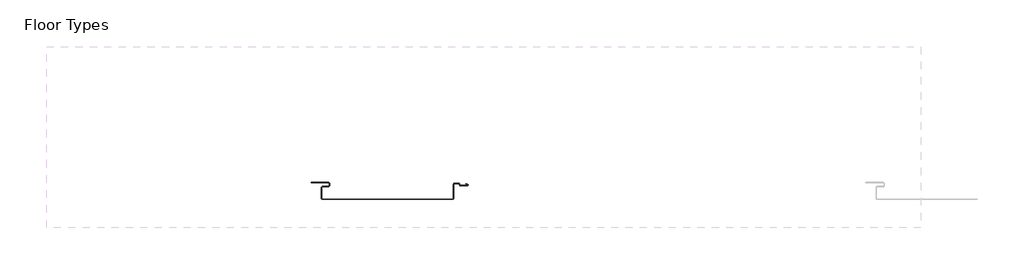
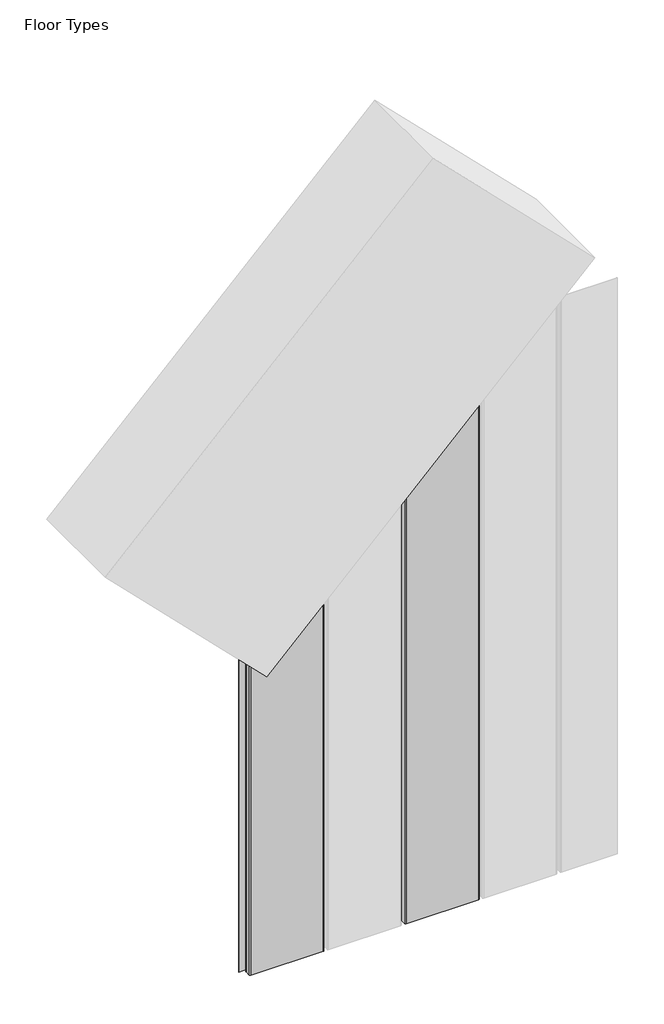
# One storey, part 1 of 3: 2 plates.
"""IFC4 building model written with IfcOpenShell, lengths in millimetres."""

import ifcopenshell
import ifcopenshell.guid

model = None  # the IFC model being written
_history = None  # IfcOwnerHistory: only IFC2X3 demands one
_inside = {}  # id of a spatial element -> (the spatial element, [elements in it])
_under = {}  # id of a project, library or spatial element -> (it, [spatial elements below it])
_declared = {}  # id of a project -> (the project, [libraries it declares])
_typed = {}  # id of a type object -> (the type object, [elements of that type])
_made_of = {}  # id of a material, layer set ... -> (it, [elements and type objects made of it])


def new_model(schema):
    """Start an empty IFC model of exactly this schema.

    Asked for "IFC4X3", IfcOpenShell would pick the latest addendum, in which some entities
    have other attributes; the version numbers below select the first issue.
    IFC2X3 requires an IfcOwnerHistory on every rooted entity: one is made here for all.
    """
    global model, _history
    if schema == "IFC4X3":
        model = ifcopenshell.file(schema_version=(4, 3, 0, 0))
    else:
        model = ifcopenshell.file(schema=schema)
    _inside.clear()
    _under.clear()
    _declared.clear()
    _typed.clear()
    _made_of.clear()
    _history = None
    if model.schema == "IFC2X3":
        org = make("IfcOrganization", Name="unknown")
        user = make(
            "IfcPersonAndOrganization",
            ThePerson=make("IfcPerson", FamilyName="unknown"),
            TheOrganization=org,
        )
        app = make(
            "IfcApplication",
            ApplicationDeveloper=org,
            Version="unknown",
            ApplicationFullName="unknown",
            ApplicationIdentifier="unknown",
        )
        _history = make(
            "IfcOwnerHistory",
            OwningUser=user,
            OwningApplication=app,
            ChangeAction="ADDED",
            CreationDate=0,
        )
    return model


def make(cls, **values):
    """One entity of the class cls with the attributes given. An attribute that is None is left unset."""
    return model.create_entity(
        cls, **{name: value for name, value in values.items() if value is not None}
    )


def rooted(cls, **values):
    """An entity with a GlobalId (a new one), such as an element, a storey or a relation."""
    return make(cls, GlobalId=ifcopenshell.guid.new(), OwnerHistory=_history, **values)


def si_unit(unit_type, name, prefix=None):
    """IfcSIUnit, for example si_unit("LENGTHUNIT", "METRE", prefix="MILLI")."""
    return make("IfcSIUnit", UnitType=unit_type, Prefix=prefix, Name=name)


def assignment(units):
    """IfcUnitAssignment: the units of a project."""
    return None if units is None else make("IfcUnitAssignment", Units=units)


def point(xyz):
    """IfcCartesianPoint."""
    return None if xyz is None else make("IfcCartesianPoint", Coordinates=xyz)


def direction(xyz):
    """IfcDirection."""
    return None if xyz is None else make("IfcDirection", DirectionRatios=xyz)


def frame(location, z_axis=None, x_axis=None):
    """IfcAxis2Placement3D, a coordinate frame: its origin and axes. An axis left out is left unset."""
    return make(
        "IfcAxis2Placement3D",
        Location=point(location),
        Axis=direction(z_axis),
        RefDirection=direction(x_axis),
    )


def origin():
    """The frame at (0, 0, 0) with its axes left unset."""
    return frame((0.0, 0.0, 0.0))


def place(relative_to, where):
    """IfcLocalPlacement: puts the frame where relative to a parent placement (None: the world)."""
    return make(
        "IfcLocalPlacement", PlacementRelTo=relative_to, RelativePlacement=where
    )


def context(
    kind, dimensions, precision=None, world=None, true_north=None, identifier=None
):
    """IfcGeometricRepresentationContext, for example the 3D "Model" context."""
    return make(
        "IfcGeometricRepresentationContext",
        ContextIdentifier=identifier,
        ContextType=kind,
        CoordinateSpaceDimension=dimensions,
        Precision=precision,
        WorldCoordinateSystem=world,
        TrueNorth=true_north,
    )


def project(units=None, contexts=None):
    """IfcProject with its units and contexts."""
    return rooted(
        "IfcProject",
        Name="project",
        RepresentationContexts=contexts,
        UnitsInContext=assignment(units),
    )


def spatial(cls, under=None, at=None, **own):
    """A site, building, storey or space (cls), placed at a placement, below another one or the project."""
    s = rooted(cls, ObjectPlacement=at, **own)
    if under is not None:
        _under.setdefault(under.id(), (under, []))[1].append(s)
    return s


def polyline(points):
    """IfcPolyline through the points."""
    return make("IfcPolyline", Points=[point(p) for p in points])


def circle_curve(where, radius):
    """IfcCircle in the frame where."""
    return make("IfcCircle", Position=where, Radius=radius)


def ellipse_curve(where, semi_axis1, semi_axis2):
    """IfcEllipse in the frame where."""
    return make(
        "IfcEllipse", Position=where, SemiAxis1=semi_axis1, SemiAxis2=semi_axis2
    )


def shape(context_of_items, identifier, shape_type, items):
    """IfcShapeRepresentation: the items that make up one representation, for example the "Body"."""
    return make(
        "IfcShapeRepresentation",
        ContextOfItems=context_of_items,
        RepresentationIdentifier=identifier,
        RepresentationType=shape_type,
        Items=items,
    )


def made_of(thing, what):
    """Note that an element or type object is made of a material, layer set ...; save() writes the relation."""
    if what is not None:
        _made_of.setdefault(what.id(), (what, []))[1].append(thing)
    return thing


def element(
    cls,
    number,
    at=None,
    inside=None,
    cuts=None,
    type_object=None,
    material=None,
    context=None,
    identifier="Body",
    shape_type=None,
    held_by="IfcProductDefinitionShape",
    body=None,
    shapes=None,
    **own,
):
    """One element of the class cls, such as IfcWall. Its Tag is "e" and its number.

    at: its placement. inside: the storey or other place that contains it. cuts: it is an
    opening in that element (IfcRelVoidsElement). A single representation is given by context,
    identifier, shape_type and body (its items); several are given by shapes. held_by: the class
    of the entity that holds the representations. save() writes the other relations.
    """
    e = rooted(cls, Tag="e%d" % number, ObjectPlacement=at, **own)
    if body is not None:
        shapes = [shape(context, identifier, shape_type, body)]
    if shapes is not None:
        e.Representation = make(held_by, Representations=shapes)
    if inside is not None:
        _inside.setdefault(inside.id(), (inside, []))[1].append(e)
    if cuts is not None:
        rooted(
            "IfcRelVoidsElement", RelatingBuildingElement=cuts, RelatedOpeningElement=e
        )
    if type_object is not None:
        _typed.setdefault(type_object.id(), (type_object, []))[1].append(e)
    return made_of(e, material)


def aggregate(whole, parts):
    """IfcRelAggregates: a whole, such as a stair, and the parts it consists of."""
    return rooted("IfcRelAggregates", RelatingObject=whole, RelatedObjects=parts)


def save(model, path):
    """Write the relations noted so far, then the file.

    IfcRelAggregates (storeys below a building ...), IfcRelContainedInSpatialStructure (elements
    in a storey), IfcRelDefinesByType, IfcRelAssociatesMaterial and IfcRelDeclares: one each for
    every whole, place, type object, material and project.
    """
    for whole, parts in _under.values():
        aggregate(whole, parts)
    for where, things in _inside.values():
        rooted(
            "IfcRelContainedInSpatialStructure",
            RelatedElements=things,
            RelatingStructure=where,
        )
    for kind, things in _typed.values():
        rooted("IfcRelDefinesByType", RelatedObjects=things, RelatingType=kind)
    for what, things in _made_of.values():
        rooted("IfcRelAssociatesMaterial", RelatedObjects=things, RelatingMaterial=what)
    for by, libraries in _declared.values():
        rooted("IfcRelDeclares", RelatingContext=by, RelatedDefinitions=libraries)
    model.write(path)


def plane_surface(at):
    """IfcPlane: the flat surface through the origin of the frame at, square to its z axis."""
    return make("IfcPlane", Position=at)


def cylinder_surface(at, radius):
    """IfcCylindricalSurface: all points at the distance radius from the z axis of the frame at."""
    return make("IfcCylindricalSurface", Position=at, Radius=radius)


def revolved_surface(curve, axis_point, axis_direction):
    """IfcSurfaceOfRevolution: the curve turned about the line through axis_point along axis_direction."""
    return make(
        "IfcSurfaceOfRevolution",
        SweptCurve=make("IfcArbitraryOpenProfileDef", ProfileType="CURVE", Curve=curve),
        AxisPosition=make("IfcAxis1Placement", Location=point(axis_point), Axis=direction(axis_direction)),
    )


def advanced_brep(points, edges, surfaces, faces):
    """IfcAdvancedBrep: a solid bounded by faces that lie on surfaces and meet in shared edges.

    An edge is (start, end): straight between two places in points (the first is 0);
    or (start, end, curve); or (start, end, curve, False) where it runs against its curve.
    A face is (place in surfaces, loops), or (place, loops, False) where it looks against
    its surface's normal. A loop lists edges by number (the first is 1), with a minus sign
    where the edge is run from its end to its start. The first loop is the outer one.
    """
    corners = [point(p) for p in points]
    vertices = [make("IfcVertexPoint", VertexGeometry=c) for c in corners]
    made = []
    for start, end, *more in edges:
        made.append(
            make(
                "IfcEdgeCurve",
                EdgeStart=vertices[start],
                EdgeEnd=vertices[end],
                EdgeGeometry=more[0] if more else make("IfcPolyline", Points=[corners[start], corners[end]]),
                SameSense=more[1] if len(more) > 1 else True,
            )
        )
    hull = []
    for where, loops, *sense in faces:
        bounds = []
        for j, loop in enumerate(loops):
            ring = [make("IfcOrientedEdge", EdgeElement=made[abs(k) - 1], Orientation=k > 0) for k in loop]
            bounds.append(
                make(
                    "IfcFaceOuterBound" if j == 0 else "IfcFaceBound",
                    Bound=make("IfcEdgeLoop", EdgeList=ring),
                    Orientation=True,
                )
            )
        hull.append(make("IfcAdvancedFace", Bounds=bounds, FaceSurface=surfaces[where], SameSense=sense[0] if sense else True))
    return make("IfcAdvancedBrep", Outer=make("IfcClosedShell", CfsFaces=hull))


model = new_model("IFC4")

# Units and contexts
model_context = context("Model", 3, world=origin())
ifc_project = project(units=[si_unit("LENGTHUNIT", "METRE", prefix="MILLI")], contexts=[model_context])

# Site, building, storey
site = spatial("IfcSite", under=ifc_project)
building = spatial("IfcBuilding", under=site)
storey = spatial("IfcBuildingStorey", under=building, Name="Floor Types", Elevation=0.0)

# Plates
placement = place(None, origin())
element("IfcPlate", 1, ObjectType="Vt_Wall Panel_12 Inch", at=placement, inside=storey, context=model_context, shape_type="AdvancedBrep", body=[
    advanced_brep(
    [(-3307.5591486, 4779.7472472, 0.0), (-3307.5591486, 4781.8457172, 0.0), (-3307.5591486, 4781.8457172, 1283.6989095), (-3307.5591486, 4779.7472472, 1283.6989095), (-3037.1622496, 4748.6207172, 0.0), (-3322.9482736, 4748.6207172, 0.0), (-3322.9482736, 4748.6207172, 1299.0880345), (-3296.2321119, 4748.6207172, 1272.3718729), (-3037.1622496, 4748.6207172, 1531.4417352), (-3323.0663836, 4776.5722472, 0.0), (-3311.5341486, 4776.5722472, 0.0), (-3308.3591486, 4779.7472472, 0.0), (-3308.3591486, 4781.8457172, 0.0), (-3311.5341486, 4785.0207172, 0.0), (-3348.7222886, 4785.0207172, 0.0), (-3348.7222886, 4785.8207172, 0.0), (-3311.5341486, 4785.8207172, 0.0), (-3311.5341486, 4775.7722472, 0.0), (-3323.0663836, 4775.7722472, 0.0), (-3325.4413836, 4773.3972472, 0.0), (-3325.4413836, 4751.1138272, 0.0), (-3034.6691396, 4751.1138272, 0.0), (-3034.6691396, 4781.1402758, 0.0), (-3032.2801662, 4783.5292492, 0.0), (-3023.0292185, 4783.5292492, 0.0), (-3020.7042202, 4781.6894356, 0.0), (-3020.6228844, 4780.3380937, 0.0), (-3018.9534617, 4778.8888345, 0.0), (-3003.9948917, 4778.8888345, 0.0), (-3003.589097, 4780.5632149, 0.0), (-3008.057724, 4782.329519, 0.0), (-3007.7636491, 4783.0735082, 0.0), (-3003.2608558, 4781.2936993, 0.0), (-3003.9915134, 4778.0888345, 0.0), (-3018.9558952, 4778.0888345, 0.0), (-3021.4141757, 4780.220373, 0.0), (-3021.4501713, 4781.3176067, 0.0), (-3023.0292185, 4782.7292492, 0.0), (-3032.2801662, 4782.7292492, 0.0), (-3033.8691396, 4781.1402758, 0.0), (-3033.8691396, 4751.1138272, 0.0), (-3037.1622496, 4747.8207172, 0.0), (-3322.9482736, 4747.8207172, 0.0), (-3326.2413836, 4751.1138272, 0.0), (-3326.2413836, 4773.3972472, 0.0), (-3033.8691396, 4751.1138272, 1534.7348452), (-3037.1622496, 4747.8207172, 1531.4417352), (-3033.8691396, 4781.1402758, 1534.7348452), (-3032.2801662, 4782.7292492, 1536.3238186), (-3023.0292185, 4782.7292492, 1545.5747663), (-3021.4501713, 4781.3176067, 1547.1538135), (-3021.4141757, 4780.220373, 1547.1898091), (-3018.9558952, 4778.0888345, 1549.6480896), (-3003.9915134, 4778.0888345, 1564.6124713), (-3003.2608558, 4781.2936993, 1565.343129), (-3007.7636491, 4783.0735082, 1560.8403357), (-3008.057724, 4782.329519, 1560.5462608), (-3003.589097, 4780.5632149, 1565.0148878), (-3003.9948917, 4778.8888345, 1564.6090931), (-3018.9534617, 4778.8888345, 1549.6505231), (-3020.6228844, 4780.3380937, 1547.9811003), (-3020.7042202, 4781.6894356, 1547.8997646), (-3023.0292185, 4783.5292492, 1545.5747663), (-3032.2801662, 4783.5292492, 1536.3238186), (-3034.6691396, 4781.1402758, 1533.9348452), (-3034.6691396, 4751.1138272, 1533.9348452), (-3325.4413836, 4751.1138272, 1301.5811445), (-3325.4413836, 4773.3972472, 1301.5811445), (-3323.0663836, 4775.7722472, 1299.2061445), (-3311.5341486, 4775.7722472, 1287.6739095), (-3311.5341486, 4785.8207172, 1287.6739095), (-3348.7222886, 4785.8207172, 1324.8620495), (-3348.7222886, 4785.0207172, 1324.8620495), (-3311.5341486, 4785.0207172, 1287.6739095), (-3308.3591486, 4781.8457172, 1284.4989095), (-3308.3591486, 4779.7472472, 1284.4989095), (-3311.5341486, 4776.5722472, 1287.6739095), (-3323.0663836, 4776.5722472, 1299.2061445), (-3326.2413836, 4773.3972472, 1302.3811445), (-3326.2413836, 4751.1138272, 1302.3811445), (-3322.9482736, 4747.8207172, 1299.0880345), (-3296.2321119, 4747.8207172, 1272.3718729)],
    [
        (0, 1),
        (1, 2),
        (2, 3),
        (3, 0),
        (4, 5),
        (5, 6),
        (6, 7),
        (7, 8),
        (8, 4),
        (9, 10),
        (10, 11, circle_curve(frame((-3311.5341486, 4779.7472472, 0.0), z_axis=(0.0, 0.0, 1.0), x_axis=(0.0, 1.0, 0.0)), 3.175)),
        (11, 12),
        (12, 13, circle_curve(frame((-3311.5341486, 4781.8457172, 0.0), z_axis=(0.0, 0.0, 1.0), x_axis=(0.0, 1.0, 0.0)), 3.175)),
        (13, 14),
        (14, 15),
        (15, 16),
        (16, 1, circle_curve(frame((-3311.5341486, 4781.8457172, 0.0), z_axis=(0.0, 0.0, -1.0), x_axis=(0.0, 1.0, 0.0)), 3.975)),
        (0, 17, circle_curve(frame((-3311.5341486, 4779.7472472, 0.0), z_axis=(0.0, 0.0, -1.0), x_axis=(0.0, 1.0, 0.0)), 3.975)),
        (17, 18),
        (18, 19, circle_curve(frame((-3323.0663836, 4773.3972472, 0.0), z_axis=(0.0, 0.0, 1.0), x_axis=(0.0, 1.0, 0.0)), 2.375)),
        (19, 20),
        (20, 5, circle_curve(frame((-3322.9482736, 4751.1138272, 0.0), z_axis=(0.0, 0.0, 1.0), x_axis=(0.0, 1.0, 0.0)), 2.49311)),
        (4, 21, circle_curve(frame((-3037.1622496, 4751.1138272, 0.0), z_axis=(0.0, 0.0, 1.0), x_axis=(0.0, 1.0, 0.0)), 2.49311)),
        (21, 22),
        (22, 23, circle_curve(frame((-3032.2801662, 4781.1402758, 0.0), z_axis=(0.0, 0.0, -1.0), x_axis=(0.0, 1.0, 0.0)), 2.3889734)),
        (23, 24),
        (24, 25, circle_curve(frame((-3023.0292185, 4781.1402758, 0.0), z_axis=(0.0, 0.0, -1.0), x_axis=(0.0, 1.0, 0.0)), 2.3889734)),
        (25, 26),
        (26, 27, circle_curve(frame((-3018.9420236, 4780.588156, 0.0), z_axis=(0.0, 0.0, 1.0), x_axis=(0.0, 1.0, 0.0)), 1.69936)),
        (27, 28),
        (28, 29, circle_curve(frame((-3004.0038163, 4779.7773608, 0.0), z_axis=(0.0, 0.0, 1.0), x_axis=(0.0, 1.0, 0.0)), 0.8885712)),
        (29, 30),
        (30, 31),
        (31, 32),
        (32, 33, circle_curve(frame((-3004.0038163, 4779.7773608, 0.0), z_axis=(0.0, 0.0, -1.0), x_axis=(0.0, 1.0, 0.0)), 1.6885712)),
        (33, 34),
        (34, 35, circle_curve(frame((-3018.9420236, 4780.588156, 0.0), z_axis=(0.0, 0.0, -1.0), x_axis=(0.0, 1.0, 0.0)), 2.49936)),
        (35, 36),
        (36, 37, circle_curve(frame((-3023.0292185, 4781.1402758, 0.0), z_axis=(0.0, 0.0, 1.0), x_axis=(0.0, 1.0, 0.0)), 1.5889734)),
        (37, 38),
        (38, 39, circle_curve(frame((-3032.2801662, 4781.1402758, 0.0), z_axis=(0.0, 0.0, 1.0), x_axis=(0.0, 1.0, 0.0)), 1.5889734)),
        (39, 40),
        (40, 41, circle_curve(frame((-3037.1622496, 4751.1138272, 0.0), z_axis=(0.0, 0.0, -1.0), x_axis=(0.0, 1.0, 0.0)), 3.29311)),
        (41, 42),
        (42, 43, circle_curve(frame((-3322.9482736, 4751.1138272, 0.0), z_axis=(0.0, 0.0, -1.0), x_axis=(0.0, 1.0, 0.0)), 3.29311)),
        (43, 44),
        (44, 9, circle_curve(frame((-3323.0663836, 4773.3972472, 0.0), z_axis=(0.0, 0.0, -1.0), x_axis=(0.0, 1.0, 0.0)), 3.175)),
        (40, 45),
        (45, 46, ellipse_curve(frame((-3037.1622496, 4751.1138272, 1531.4417352), z_axis=(0.7071067811865482, 0.0, -0.7071067811865469), x_axis=(-0.7071067811865469, 0.0, -0.707106781186548)), 4.6571608, 3.29311)),
        (46, 41),
        (39, 47),
        (47, 45),
        (38, 48),
        (48, 47, ellipse_curve(frame((-3032.2801662, 4781.1402758, 1536.3238186), z_axis=(-0.7071067811865482, 0.0, 0.7071067811865469), x_axis=(0.7071067811865469, 0.0, 0.707106781186548)), 2.2471477, 1.5889734)),
        (37, 49),
        (49, 48),
        (36, 50),
        (50, 49, ellipse_curve(frame((-3023.0292185, 4781.1402758, 1545.5747663), z_axis=(-0.7071067811865482, 0.0, 0.7071067811865469), x_axis=(0.7071067811865469, 0.0, 0.707106781186548)), 2.2471477, 1.5889734)),
        (35, 51),
        (51, 50),
        (34, 52),
        (52, 51, ellipse_curve(frame((-3018.9420236, 4780.588156, 1549.6619612), z_axis=(0.7071067811865482, 0.0, -0.7071067811865469), x_axis=(-0.7071067811865469, 0.0, -0.707106781186548)), 3.5346288, 2.49936)),
        (33, 53),
        (53, 52),
        (32, 54),
        (54, 53, ellipse_curve(frame((-3004.0038163, 4779.7773608, 1564.6001685), z_axis=(0.7071067811865482, 0.0, -0.7071067811865469), x_axis=(-0.7071067811865469, 0.0, -0.707106781186548)), 2.3880003, 1.6885712)),
        (31, 55),
        (55, 54),
        (30, 56),
        (56, 55),
        (29, 57),
        (57, 56),
        (28, 58),
        (58, 57, ellipse_curve(frame((-3004.0038163, 4779.7773608, 1564.6001685), z_axis=(-0.7071067811865482, 0.0, 0.7071067811865469), x_axis=(0.7071067811865469, 0.0, 0.707106781186548)), 1.2566294, 0.8885712)),
        (27, 59),
        (59, 58),
        (26, 60),
        (60, 59, ellipse_curve(frame((-3018.9420236, 4780.588156, 1549.6619612), z_axis=(-0.7071067811865482, 0.0, 0.7071067811865469), x_axis=(0.7071067811865469, 0.0, 0.707106781186548)), 2.403258, 1.69936)),
        (25, 61),
        (61, 60),
        (24, 62),
        (62, 61, ellipse_curve(frame((-3023.0292185, 4781.1402758, 1545.5747663), z_axis=(0.7071067811865482, 0.0, -0.7071067811865469), x_axis=(-0.7071067811865469, 0.0, -0.707106781186548)), 3.3785186, 2.3889734)),
        (23, 63),
        (63, 62),
        (22, 64),
        (64, 63, ellipse_curve(frame((-3032.2801662, 4781.1402758, 1536.3238186), z_axis=(0.7071067811865482, 0.0, -0.7071067811865469), x_axis=(-0.7071067811865469, 0.0, -0.707106781186548)), 3.3785186, 2.3889734)),
        (21, 65),
        (65, 64),
        (8, 65, ellipse_curve(frame((-3037.1622496, 4751.1138272, 1531.4417352), z_axis=(-0.7071067811865482, 0.0, 0.7071067811865469), x_axis=(0.7071067811865469, 0.0, 0.707106781186548)), 3.52579, 2.49311)),
        (20, 66),
        (66, 6, ellipse_curve(frame((-3322.9482736, 4751.1138272, 1299.0880345), z_axis=(0.7071067811865469, 0.0, 0.7071067811865482), x_axis=(-0.7071067811865482, 0.0, 0.7071067811865467)), 3.52579, 2.49311)),
        (19, 67),
        (67, 66),
        (18, 68),
        (68, 67, ellipse_curve(frame((-3323.0663836, 4773.3972472, 1299.2061445), z_axis=(0.7071067811865469, 0.0, 0.7071067811865482), x_axis=(-0.7071067811865482, 0.0, 0.7071067811865467)), 3.3587572, 2.375)),
        (17, 69),
        (69, 68),
        (3, 69, ellipse_curve(frame((-3311.5341486, 4779.7472472, 1287.6739095), z_axis=(-0.7071067811865469, 0.0, -0.7071067811865482), x_axis=(0.7071067811865482, 0.0, -0.7071067811865467)), 5.6214989, 3.975)),
        (16, 70),
        (70, 2, ellipse_curve(frame((-3311.5341486, 4781.8457172, 1287.6739095), z_axis=(-0.7071067811865469, 0.0, -0.7071067811865482), x_axis=(0.7071067811865482, 0.0, -0.7071067811865467)), 5.6214989, 3.975)),
        (15, 71),
        (71, 70),
        (14, 72),
        (72, 71),
        (13, 73),
        (73, 72),
        (12, 74),
        (74, 73, ellipse_curve(frame((-3311.5341486, 4781.8457172, 1287.6739095), z_axis=(0.7071067811865469, 0.0, 0.7071067811865482), x_axis=(-0.7071067811865482, 0.0, 0.7071067811865467)), 4.4901281, 3.175)),
        (11, 75),
        (75, 74),
        (10, 76),
        (76, 75, ellipse_curve(frame((-3311.5341486, 4779.7472472, 1287.6739095), z_axis=(0.7071067811865469, 0.0, 0.7071067811865482), x_axis=(-0.7071067811865482, 0.0, 0.7071067811865467)), 4.4901281, 3.175)),
        (9, 77),
        (77, 76),
        (44, 78),
        (78, 77, ellipse_curve(frame((-3323.0663836, 4773.3972472, 1299.2061445), z_axis=(-0.7071067811865469, 0.0, -0.7071067811865482), x_axis=(0.7071067811865482, 0.0, -0.7071067811865467)), 4.4901281, 3.175)),
        (43, 79),
        (79, 78),
        (42, 80),
        (80, 79, ellipse_curve(frame((-3322.9482736, 4751.1138272, 1299.0880345), z_axis=(-0.7071067811865469, 0.0, -0.7071067811865482), x_axis=(0.7071067811865482, 0.0, -0.7071067811865467)), 4.6571608, 3.29311)),
        (46, 81),
        (81, 80),
        (7, 81),
    ],
    [
        plane_surface(frame((-3307.5591486, 4779.7472472, 0.0), z_axis=(1.0, 0.0, 0.0), x_axis=(0.0, 0.0, 1.0))),
        plane_surface(frame((-3037.1622496, 4748.6207172, 0.0), z_axis=(0.0, 1.0, 0.0), x_axis=(0.0, 0.0, 1.0))),
        plane_surface(frame((-3173.7413836, 4747.8207172, 0.0), z_axis=(0.0, 0.0, -1.0), x_axis=(1.0, 0.0, 0.0))),
        cylinder_surface(frame((-3037.1622496, 4751.1138272, 0.0), z_axis=(0.0, 0.0, -1.0), x_axis=(0.0, 1.0, 0.0)), 3.29311),
        plane_surface(frame((-3033.8691396, 4751.1138272, 0.0), z_axis=(1.0, 0.0, 0.0), x_axis=(0.0, 0.0, 1.0))),
        revolved_surface(polyline([(-3032.2801662, 4782.729249200001, 1537.9127919769978), (-3032.2801662, 4782.729249200001, 0.0)]), (-3032.2801662, 4781.1402758, 0.0), (0.0, 0.0, 1.0)),
        plane_surface(frame((-3032.2801662, 4782.7292492, 0.0), z_axis=(0.0, -1.0, 0.0), x_axis=(0.0, 0.0, 1.0))),
        revolved_surface(polyline([(-3023.0292185, 4782.729249200001, 1547.1637396769977), (-3023.0292185, 4782.729249200001, 0.0)]), (-3023.0292185, 4781.1402758, 0.0), (0.0, 0.0, 1.0)),
        plane_surface(frame((-3021.4501713, 4781.3176067, 0.0), z_axis=(-0.9994623251085641, -0.032788118100663385, 0.0), x_axis=(0.0, 0.0, 1.0))),
        cylinder_surface(frame((-3018.9420236, 4780.588156, 0.0), z_axis=(0.0, 0.0, -1.0), x_axis=(0.0, 1.0, 0.0)), 2.49936),
        plane_surface(frame((-3018.9558952, 4778.0888345, 0.0), z_axis=(0.0, -1.0, 0.0), x_axis=(0.0, 0.0, 1.0))),
        cylinder_surface(frame((-3004.0038163, 4779.7773608, 0.0), z_axis=(0.0, 0.0, -1.0), x_axis=(0.0, 1.0, 0.0)), 1.6885712),
        plane_surface(frame((-3003.2608558, 4781.2936993, 0.0), z_axis=(0.3675936569385999, 0.9299865070948649, 0.0), x_axis=(0.0, 0.0, 1.0))),
        plane_surface(frame((-3007.7636491, 4783.0735082, 0.0), z_axis=(-0.9299865070948644, 0.3675936569386009, 0.0), x_axis=(0.0, 0.0, 1.0))),
        plane_surface(frame((-3008.057724, 4782.329519, 0.0), z_axis=(-0.3675936569385953, -0.9299865070948666, 0.0), x_axis=(0.0, 0.0, 1.0))),
        revolved_surface(polyline([(-3004.0038163, 4780.665932, 1565.4887396701786), (-3004.0038163, 4780.665932, 0.0)]), (-3004.0038163, 4779.7773608, 0.0), (0.0, 0.0, 1.0)),
        plane_surface(frame((-3003.9948917, 4778.8888345, 0.0), z_axis=(0.0, 1.0, 0.0), x_axis=(0.0, 0.0, 1.0))),
        revolved_surface(polyline([(-3018.9420236, 4782.287515999999, 1551.3613212287407), (-3018.9420236, 4782.287515999999, 0.0)]), (-3018.9420236, 4780.588156, 0.0), (0.0, 0.0, 1.0)),
        plane_surface(frame((-3020.6228844, 4780.3380937, 0.0), z_axis=(0.9981935578187523, 0.060080122579280935, 0.0), x_axis=(0.0, 0.0, 1.0))),
        cylinder_surface(frame((-3023.0292185, 4781.1402758, 0.0), z_axis=(0.0, 0.0, -1.0), x_axis=(0.0, 1.0, 0.0)), 2.3889734),
        plane_surface(frame((-3023.0292185, 4783.5292492, 0.0), z_axis=(0.0, 1.0, 0.0), x_axis=(0.0, 0.0, 1.0))),
        cylinder_surface(frame((-3032.2801662, 4781.1402758, 0.0), z_axis=(0.0, 0.0, -1.0), x_axis=(0.0, 1.0, 0.0)), 2.3889734),
        plane_surface(frame((-3034.6691396, 4781.1402758, 0.0), z_axis=(-1.0, 0.0, 0.0), x_axis=(0.0, 0.0, 1.0))),
        revolved_surface(polyline([(-3037.1622496, 4753.6069372, 1533.9348452180398), (-3037.1622496, 4753.6069372, 0.0)]), (-3037.1622496, 4751.1138272, 0.0), (0.0, 0.0, 1.0)),
        revolved_surface(polyline([(-3322.9482736, 4753.6069372, 1301.5811445180398), (-3322.9482736, 4753.6069372, 0.0)]), (-3322.9482736, 4751.1138272, 0.0), (0.0, 0.0, 1.0)),
        plane_surface(frame((-3325.4413836, 4751.1138272, 0.0), z_axis=(1.0, 0.0, 0.0), x_axis=(0.0, 0.0, 1.0))),
        revolved_surface(polyline([(-3323.0663836, 4775.7722472, 1301.5811445), (-3323.0663836, 4775.7722472, 0.0)]), (-3323.0663836, 4773.3972472, 0.0), (0.0, 0.0, 1.0)),
        plane_surface(frame((-3323.0663836, 4775.7722472, 0.0), z_axis=(0.0, -1.0, 0.0), x_axis=(0.0, 0.0, 1.0))),
        cylinder_surface(frame((-3311.5341486, 4779.7472472, 0.0), z_axis=(0.0, 0.0, -1.0), x_axis=(0.0, 1.0, 0.0)), 3.975),
        cylinder_surface(frame((-3311.5341486, 4781.8457172, 0.0), z_axis=(0.0, 0.0, -1.0), x_axis=(0.0, 1.0, 0.0)), 3.975),
        plane_surface(frame((-3311.5341486, 4785.8207172, 0.0), z_axis=(0.0, 1.0, 0.0), x_axis=(0.0, 0.0, 1.0))),
        plane_surface(frame((-3348.7222886, 4785.8207172, 0.0), z_axis=(-1.0, 0.0, 0.0), x_axis=(0.0, 0.0, 1.0))),
        plane_surface(frame((-3348.7222886, 4785.0207172, 0.0), z_axis=(0.0, -1.0, 0.0), x_axis=(0.0, 0.0, 1.0))),
        revolved_surface(polyline([(-3311.5341486, 4785.0207172, 1290.8489095279062), (-3311.5341486, 4785.0207172, 0.0)]), (-3311.5341486, 4781.8457172, 0.0), (0.0, 0.0, 1.0)),
        plane_surface(frame((-3308.3591486, 4781.8457172, 0.0), z_axis=(-1.0, 0.0, 0.0), x_axis=(0.0, 0.0, 1.0))),
        revolved_surface(polyline([(-3311.5341486, 4782.9222472, 1290.8489095279062), (-3311.5341486, 4782.9222472, 0.0)]), (-3311.5341486, 4779.7472472, 0.0), (0.0, 0.0, 1.0)),
        plane_surface(frame((-3311.5341486, 4776.5722472, 0.0), z_axis=(0.0, 1.0, 0.0), x_axis=(0.0, 0.0, 1.0))),
        cylinder_surface(frame((-3323.0663836, 4773.3972472, 0.0), z_axis=(0.0, 0.0, -1.0), x_axis=(0.0, 1.0, 0.0)), 3.175),
        plane_surface(frame((-3326.2413836, 4773.3972472, 0.0), z_axis=(-1.0, 0.0, 0.0), x_axis=(0.0, 0.0, 1.0))),
        cylinder_surface(frame((-3322.9482736, 4751.1138272, 0.0), z_axis=(0.0, 0.0, -1.0), x_axis=(0.0, 1.0, 0.0)), 3.29311),
        plane_surface(frame((-3322.9482736, 4747.8207172, 0.0), z_axis=(0.0, -1.0, 0.0), x_axis=(0.0, 0.0, 1.0))),
        plane_surface(frame((-3296.2321119, 4684.9717556, 1272.3718729), z_axis=(-0.7071067811865482, 0.0, 0.7071067811865469), x_axis=(0.0, 1.0, 0.0))),
        plane_surface(frame((-3932.628215, 4684.9717556, 1908.7679759), z_axis=(0.7071067811865469, 0.0, 0.7071067811865482), x_axis=(0.0, 1.0, 0.0))),
    ],
    [
        (0, [[1, 2, 3, 4]]),
        (1, [[5, 6, 7, 8, 9]]),
        (2, [[10, 11, 12, 13, 14, 15, 16, 17, -1, 18, 19, 20, 21, 22, -5, 23, 24, 25, 26, 27, 28, 29, 30, 31, 32, 33, 34, 35, 36, 37, 38, 39, 40, 41, 42, 43, 44, 45, 46, 47]]),
        (3, [[-43, 48, 49, 50]]),
        (4, [[-42, 51, 52, -48]]),
        (5, [[-41, 53, 54, -51]]),
        (6, [[-40, 55, 56, -53]]),
        (7, [[-39, 57, 58, -55]]),
        (8, [[-38, 59, 60, -57]]),
        (9, [[-37, 61, 62, -59]]),
        (10, [[-36, 63, 64, -61]]),
        (11, [[-35, 65, 66, -63]]),
        (12, [[-34, 67, 68, -65]]),
        (13, [[-33, 69, 70, -67]]),
        (14, [[-32, 71, 72, -69]]),
        (15, [[-31, 73, 74, -71]]),
        (16, [[-30, 75, 76, -73]]),
        (17, [[-29, 77, 78, -75]]),
        (18, [[-28, 79, 80, -77]]),
        (19, [[-27, 81, 82, -79]]),
        (20, [[-26, 83, 84, -81]]),
        (21, [[-25, 85, 86, -83]]),
        (22, [[-24, 87, 88, -85]]),
        (23, [[-23, -9, 89, -87]]),
        (24, [[-22, 90, 91, -6]]),
        (25, [[-21, 92, 93, -90]]),
        (26, [[-20, 94, 95, -92]]),
        (27, [[-19, 96, 97, -94]]),
        (28, [[-18, -4, 98, -96]]),
        (29, [[-17, 99, 100, -2]]),
        (30, [[-16, 101, 102, -99]]),
        (31, [[-15, 103, 104, -101]]),
        (32, [[-14, 105, 106, -103]]),
        (33, [[-13, 107, 108, -105]]),
        (34, [[-12, 109, 110, -107]]),
        (35, [[-11, 111, 112, -109]]),
        (36, [[-10, 113, 114, -111]]),
        (37, [[-47, 115, 116, -113]]),
        (38, [[-46, 117, 118, -115]]),
        (39, [[-45, 119, 120, -117]]),
        (40, [[-44, -50, 121, 122, -119]]),
        (41, [[123, -121, -49, -52, -54, -56, -58, -60, -62, -64, -66, -68, -70, -72, -74, -76, -78, -80, -82, -84, -86, -88, -89, -8]]),
        (42, [[-123, -7, -91, -93, -95, -97, -98, -3, -100, -102, -104, -106, -108, -110, -112, -114, -116, -118, -120, -122]]),
    ],
),
])
element("IfcPlate", 2, ObjectType="Vt_Wall Panel_12 Inch", at=placement, inside=storey, context=model_context, shape_type="AdvancedBrep", body=[
    advanced_brep(
    [(-2695.5591484, 4779.7472472, 0.0), (-2695.5591484, 4781.8457172, 0.0), (-2695.5591484, 4781.8457172, 1873.0448363), (-2695.5591484, 4779.7472472, 1873.0448363), (-2421.8691394, 4781.1402758, 0.0), (-2420.280166, 4782.7292492, 0.0), (-2420.280166, 4782.7292492, 2148.3238188), (-2421.8691394, 4781.1402758, 2146.7348454), (-2411.0292184, 4782.7292492, 0.0), (-2411.0292184, 4782.7292492, 2157.5747664), (-2409.4501711, 4781.3176067, 0.0), (-2409.4501711, 4781.3176067, 2159.1538137), (-2409.4141755, 4780.220373, 0.0), (-2409.4141755, 4780.220373, 2159.1898092), (-2406.955895, 4778.0888345, 0.0), (-2406.955895, 4778.0888345, 2161.6480898), (-2391.9915133, 4778.0888345, 0.0), (-2391.9915133, 4778.0888345, 2176.6124715), (-2391.2608557, 4781.2936993, 0.0), (-2391.2608557, 4781.2936993, 2177.3431291), (-2395.7636489, 4783.0735082, 0.0), (-2395.7636489, 4783.0735082, 2172.8403359), (-2396.0577238, 4782.329519, 0.0), (-2396.0577238, 4782.329519, 2172.5462609), (-2391.5890968, 4780.5632149, 0.0), (-2391.5890968, 4780.5632149, 2177.014888), (-2391.9948915, 4778.8888345, 0.0), (-2391.9948915, 4778.8888345, 2176.6090933), (-2406.9534615, 4778.8888345, 0.0), (-2406.9534615, 4778.8888345, 2161.6505233), (-2408.6228843, 4780.3380937, 0.0), (-2408.6228843, 4780.3380937, 2159.9811005), (-2408.70422, 4781.6894356, 0.0), (-2408.70422, 4781.6894356, 2159.8997648), (-2411.0292184, 4783.5292492, 0.0), (-2411.0292184, 4783.5292492, 2157.5747664), (-2420.280166, 4783.5292492, 0.0), (-2420.280166, 4783.5292492, 2148.3238188), (-2422.6691394, 4781.1402758, 0.0), (-2422.6691394, 4781.1402758, 2145.9348454), (-2422.6691394, 4751.1138272, 0.0), (-2422.6691394, 4751.1138272, 2145.9348454), (-2425.1622494, 4748.6207172, 0.0), (-2425.1622494, 4748.6207172, 2143.4417354), (-2710.9482734, 4748.6207172, 0.0), (-2710.9482734, 4748.6207172, 1857.6557113), (-2713.4413834, 4751.1138272, 0.0), (-2713.4413834, 4751.1138272, 1855.1626013), (-2713.4413834, 4773.3972472, 0.0), (-2713.4413834, 4773.3972472, 1855.1626013), (-2699.5341484, 4785.8207172, 0.0), (-2699.5341484, 4775.7722472, 0.0), (-2711.0663834, 4775.7722472, 0.0), (-2421.8691394, 4751.1138272, 0.0), (-2425.1622494, 4747.8207172, 0.0), (-2710.9482734, 4747.8207172, 0.0), (-2714.2413834, 4751.1138272, 0.0), (-2714.2413834, 4773.3972472, 0.0), (-2711.0663834, 4776.5722472, 0.0), (-2699.5341484, 4776.5722472, 0.0), (-2696.3591484, 4779.7472472, 0.0), (-2696.3591484, 4781.8457172, 0.0), (-2699.5341484, 4785.0207172, 0.0), (-2736.7222884, 4785.0207172, 0.0), (-2736.7222884, 4785.8207172, 0.0), (-2421.8691394, 4751.1138272, 2146.7348454), (-2425.1622494, 4747.8207172, 2143.4417354), (-2711.0663834, 4775.7722472, 1857.5376013), (-2699.5341484, 4775.7722472, 1869.0698363), (-2699.5341484, 4785.8207172, 1869.0698363), (-2736.7222884, 4785.8207172, 1831.8816963), (-2736.7222884, 4785.0207172, 1831.8816963), (-2699.5341484, 4785.0207172, 1869.0698363), (-2696.3591484, 4781.8457172, 1872.2448363), (-2696.3591484, 4779.7472472, 1872.2448363), (-2699.5341484, 4776.5722472, 1869.0698363), (-2711.0663834, 4776.5722472, 1857.5376013), (-2714.2413834, 4773.3972472, 1854.3626013), (-2714.2413834, 4751.1138272, 1854.3626013), (-2710.9482734, 4747.8207172, 1857.6557113)],
    [
        (0, 1),
        (1, 2),
        (2, 3),
        (3, 0),
        (4, 5, circle_curve(frame((-2420.280166, 4781.1402758, 0.0), z_axis=(0.0, 0.0, -1.0), x_axis=(0.0, 1.0, 0.0)), 1.5889734)),
        (5, 6),
        (6, 7, ellipse_curve(frame((-2420.280166, 4781.1402758, 2148.3238188), z_axis=(-0.7071067811865482, 0.0, 0.7071067811865469), x_axis=(0.7071067811865469, 0.0, 0.707106781186548)), 2.2471477, 1.5889734)),
        (7, 4),
        (5, 8),
        (8, 9),
        (9, 6),
        (8, 10, circle_curve(frame((-2411.0292184, 4781.1402758, 0.0), z_axis=(0.0, 0.0, -1.0), x_axis=(0.0, 1.0, 0.0)), 1.5889734)),
        (10, 11),
        (11, 9, ellipse_curve(frame((-2411.0292184, 4781.1402758, 2157.5747664), z_axis=(-0.7071067811865482, 0.0, 0.7071067811865469), x_axis=(0.7071067811865469, 0.0, 0.707106781186548)), 2.2471477, 1.5889734)),
        (10, 12),
        (12, 13),
        (13, 11),
        (12, 14, circle_curve(frame((-2406.9420234, 4780.588156, 0.0), z_axis=(0.0, 0.0, 1.0), x_axis=(0.0, 1.0, 0.0)), 2.49936)),
        (14, 15),
        (15, 13, ellipse_curve(frame((-2406.9420234, 4780.588156, 2161.6619613), z_axis=(0.7071067811865482, 0.0, -0.7071067811865469), x_axis=(-0.7071067811865469, 0.0, -0.707106781186548)), 3.5346288, 2.49936)),
        (14, 16),
        (16, 17),
        (17, 15),
        (16, 18, circle_curve(frame((-2392.0038161, 4779.7773608, 0.0), z_axis=(0.0, 0.0, 1.0), x_axis=(0.0, 1.0, 0.0)), 1.6885712)),
        (18, 19),
        (19, 17, ellipse_curve(frame((-2392.0038161, 4779.7773608, 2176.6001686), z_axis=(0.7071067811865482, 0.0, -0.7071067811865469), x_axis=(-0.7071067811865469, 0.0, -0.707106781186548)), 2.3880003, 1.6885712)),
        (18, 20),
        (20, 21),
        (21, 19),
        (20, 22),
        (22, 23),
        (23, 21),
        (22, 24),
        (24, 25),
        (25, 23),
        (24, 26, circle_curve(frame((-2392.0038161, 4779.7773608, 0.0), z_axis=(0.0, 0.0, -1.0), x_axis=(0.0, 1.0, 0.0)), 0.8885712)),
        (26, 27),
        (27, 25, ellipse_curve(frame((-2392.0038161, 4779.7773608, 2176.6001686), z_axis=(-0.7071067811865482, 0.0, 0.7071067811865469), x_axis=(0.7071067811865469, 0.0, 0.707106781186548)), 1.2566294, 0.8885712)),
        (26, 28),
        (28, 29),
        (29, 27),
        (28, 30, circle_curve(frame((-2406.9420234, 4780.588156, 0.0), z_axis=(0.0, 0.0, -1.0), x_axis=(0.0, 1.0, 0.0)), 1.69936)),
        (30, 31),
        (31, 29, ellipse_curve(frame((-2406.9420234, 4780.588156, 2161.6619613), z_axis=(-0.7071067811865482, 0.0, 0.7071067811865469), x_axis=(0.7071067811865469, 0.0, 0.707106781186548)), 2.403258, 1.69936)),
        (30, 32),
        (32, 33),
        (33, 31),
        (32, 34, circle_curve(frame((-2411.0292184, 4781.1402758, 0.0), z_axis=(0.0, 0.0, 1.0), x_axis=(0.0, 1.0, 0.0)), 2.3889734)),
        (34, 35),
        (35, 33, ellipse_curve(frame((-2411.0292184, 4781.1402758, 2157.5747664), z_axis=(0.7071067811865482, 0.0, -0.7071067811865469), x_axis=(-0.7071067811865469, 0.0, -0.707106781186548)), 3.3785186, 2.3889734)),
        (34, 36),
        (36, 37),
        (37, 35),
        (36, 38, circle_curve(frame((-2420.280166, 4781.1402758, 0.0), z_axis=(0.0, 0.0, 1.0), x_axis=(0.0, 1.0, 0.0)), 2.3889734)),
        (38, 39),
        (39, 37, ellipse_curve(frame((-2420.280166, 4781.1402758, 2148.3238188), z_axis=(0.7071067811865482, 0.0, -0.7071067811865469), x_axis=(-0.7071067811865469, 0.0, -0.707106781186548)), 3.3785186, 2.3889734)),
        (38, 40),
        (40, 41),
        (41, 39),
        (40, 42, circle_curve(frame((-2425.1622494, 4751.1138272, 0.0), z_axis=(0.0, 0.0, -1.0), x_axis=(0.0, 1.0, 0.0)), 2.49311)),
        (42, 43),
        (43, 41, ellipse_curve(frame((-2425.1622494, 4751.1138272, 2143.4417354), z_axis=(-0.7071067811865482, 0.0, 0.7071067811865469), x_axis=(0.7071067811865469, 0.0, 0.707106781186548)), 3.52579, 2.49311)),
        (42, 44),
        (44, 45),
        (45, 43),
        (44, 46, circle_curve(frame((-2710.9482734, 4751.1138272, 0.0), z_axis=(0.0, 0.0, -1.0), x_axis=(0.0, 1.0, 0.0)), 2.49311)),
        (46, 47),
        (47, 45, ellipse_curve(frame((-2710.9482734, 4751.1138272, 1857.6557113), z_axis=(-0.7071067811865482, 0.0, 0.7071067811865469), x_axis=(0.7071067811865469, 0.0, 0.707106781186548)), 3.52579, 2.49311)),
        (46, 48),
        (48, 49),
        (49, 47),
        (50, 1, circle_curve(frame((-2699.5341484, 4781.8457172, 0.0), z_axis=(0.0, 0.0, -1.0), x_axis=(0.0, 1.0, 0.0)), 3.975)),
        (0, 51, circle_curve(frame((-2699.5341484, 4779.7472472, 0.0), z_axis=(0.0, 0.0, -1.0), x_axis=(0.0, 1.0, 0.0)), 3.975)),
        (51, 52),
        (52, 48, circle_curve(frame((-2711.0663834, 4773.3972472, 0.0), z_axis=(0.0, 0.0, 1.0), x_axis=(0.0, 1.0, 0.0)), 2.375)),
        (4, 53),
        (53, 54, circle_curve(frame((-2425.1622494, 4751.1138272, 0.0), z_axis=(0.0, 0.0, -1.0), x_axis=(0.0, 1.0, 0.0)), 3.29311)),
        (54, 55),
        (55, 56, circle_curve(frame((-2710.9482734, 4751.1138272, 0.0), z_axis=(0.0, 0.0, -1.0), x_axis=(0.0, 1.0, 0.0)), 3.29311)),
        (56, 57),
        (57, 58, circle_curve(frame((-2711.0663834, 4773.3972472, 0.0), z_axis=(0.0, 0.0, -1.0), x_axis=(0.0, 1.0, 0.0)), 3.175)),
        (58, 59),
        (59, 60, circle_curve(frame((-2699.5341484, 4779.7472472, 0.0), z_axis=(0.0, 0.0, 1.0), x_axis=(0.0, 1.0, 0.0)), 3.175)),
        (60, 61),
        (61, 62, circle_curve(frame((-2699.5341484, 4781.8457172, 0.0), z_axis=(0.0, 0.0, 1.0), x_axis=(0.0, 1.0, 0.0)), 3.175)),
        (62, 63),
        (63, 64),
        (64, 50),
        (53, 65),
        (65, 66, ellipse_curve(frame((-2425.1622494, 4751.1138272, 2143.4417354), z_axis=(0.7071067811865482, 0.0, -0.7071067811865469), x_axis=(-0.7071067811865469, 0.0, -0.707106781186548)), 4.6571608, 3.29311)),
        (66, 54),
        (7, 65),
        (52, 67),
        (67, 49, ellipse_curve(frame((-2711.0663834, 4773.3972472, 1857.5376013), z_axis=(-0.7071067811865482, 0.0, 0.7071067811865469), x_axis=(0.7071067811865469, 0.0, 0.707106781186548)), 3.3587572, 2.375)),
        (51, 68),
        (68, 67),
        (3, 68, ellipse_curve(frame((-2699.5341484, 4779.7472472, 1869.0698363), z_axis=(0.7071067811865482, 0.0, -0.7071067811865469), x_axis=(-0.7071067811865469, 0.0, -0.707106781186548)), 5.6214989, 3.975)),
        (50, 69),
        (69, 2, ellipse_curve(frame((-2699.5341484, 4781.8457172, 1869.0698363), z_axis=(0.7071067811865482, 0.0, -0.7071067811865469), x_axis=(-0.7071067811865469, 0.0, -0.707106781186548)), 5.6214989, 3.975)),
        (64, 70),
        (70, 69),
        (63, 71),
        (71, 70),
        (62, 72),
        (72, 71),
        (61, 73),
        (73, 72, ellipse_curve(frame((-2699.5341484, 4781.8457172, 1869.0698363), z_axis=(-0.7071067811865482, 0.0, 0.7071067811865469), x_axis=(0.7071067811865469, 0.0, 0.707106781186548)), 4.4901281, 3.175)),
        (60, 74),
        (74, 73),
        (59, 75),
        (75, 74, ellipse_curve(frame((-2699.5341484, 4779.7472472, 1869.0698363), z_axis=(-0.7071067811865482, 0.0, 0.7071067811865469), x_axis=(0.7071067811865469, 0.0, 0.707106781186548)), 4.4901281, 3.175)),
        (58, 76),
        (76, 75),
        (57, 77),
        (77, 76, ellipse_curve(frame((-2711.0663834, 4773.3972472, 1857.5376013), z_axis=(0.7071067811865482, 0.0, -0.7071067811865469), x_axis=(-0.7071067811865469, 0.0, -0.707106781186548)), 4.4901281, 3.175)),
        (56, 78),
        (78, 77),
        (55, 79),
        (79, 78, ellipse_curve(frame((-2710.9482734, 4751.1138272, 1857.6557113), z_axis=(0.7071067811865482, 0.0, -0.7071067811865469), x_axis=(-0.7071067811865469, 0.0, -0.707106781186548)), 4.6571608, 3.29311)),
        (66, 79),
    ],
    [
        plane_surface(frame((-2695.5591484, 4779.7472472, 0.0), z_axis=(1.0, 0.0, 0.0), x_axis=(0.0, 0.0, 1.0))),
        revolved_surface(polyline([(-2420.280166, 4782.729249200001, 2149.9127921769978), (-2420.280166, 4782.729249200001, 0.0)]), (-2420.280166, 4781.1402758, 0.0), (0.0, 0.0, 1.0)),
        plane_surface(frame((-2420.280166, 4782.7292492, 0.0), z_axis=(0.0, -1.0, 0.0), x_axis=(0.0, 0.0, 1.0))),
        revolved_surface(polyline([(-2411.0292184, 4782.729249200001, 2159.1637397769978), (-2411.0292184, 4782.729249200001, 0.0)]), (-2411.0292184, 4781.1402758, 0.0), (0.0, 0.0, 1.0)),
        plane_surface(frame((-2409.4501711, 4781.3176067, 0.0), z_axis=(-0.9994623251085641, -0.032788118100663385, 0.0), x_axis=(0.0, 0.0, 1.0))),
        cylinder_surface(frame((-2406.9420234, 4780.588156, 0.0), z_axis=(0.0, 0.0, -1.0), x_axis=(0.0, 1.0, 0.0)), 2.49936),
        plane_surface(frame((-2406.955895, 4778.0888345, 0.0), z_axis=(0.0, -1.0, 0.0), x_axis=(0.0, 0.0, 1.0))),
        cylinder_surface(frame((-2392.0038161, 4779.7773608, 0.0), z_axis=(0.0, 0.0, -1.0), x_axis=(0.0, 1.0, 0.0)), 1.6885712),
        plane_surface(frame((-2391.2608557, 4781.2936993, 0.0), z_axis=(0.3675936569385999, 0.9299865070948649, 0.0), x_axis=(0.0, 0.0, 1.0))),
        plane_surface(frame((-2395.7636489, 4783.0735082, 0.0), z_axis=(-0.9299865070948644, 0.3675936569386009, 0.0), x_axis=(0.0, 0.0, 1.0))),
        plane_surface(frame((-2396.0577238, 4782.329519, 0.0), z_axis=(-0.3675936569385953, -0.9299865070948666, 0.0), x_axis=(0.0, 0.0, 1.0))),
        revolved_surface(polyline([(-2392.0038161, 4780.665932, 2177.488739770178), (-2392.0038161, 4780.665932, 0.0)]), (-2392.0038161, 4779.7773608, 0.0), (0.0, 0.0, 1.0)),
        plane_surface(frame((-2391.9948915, 4778.8888345, 0.0), z_axis=(0.0, 1.0, 0.0), x_axis=(0.0, 0.0, 1.0))),
        revolved_surface(polyline([(-2406.9420234, 4782.287515999999, 2163.361321328741), (-2406.9420234, 4782.287515999999, 0.0)]), (-2406.9420234, 4780.588156, 0.0), (0.0, 0.0, 1.0)),
        plane_surface(frame((-2408.6228843, 4780.3380937, 0.0), z_axis=(0.9981935578187523, 0.060080122579280935, 0.0), x_axis=(0.0, 0.0, 1.0))),
        cylinder_surface(frame((-2411.0292184, 4781.1402758, 0.0), z_axis=(0.0, 0.0, -1.0), x_axis=(0.0, 1.0, 0.0)), 2.3889734),
        plane_surface(frame((-2411.0292184, 4783.5292492, 0.0), z_axis=(0.0, 1.0, 0.0), x_axis=(0.0, 0.0, 1.0))),
        cylinder_surface(frame((-2420.280166, 4781.1402758, 0.0), z_axis=(0.0, 0.0, -1.0), x_axis=(0.0, 1.0, 0.0)), 2.3889734),
        plane_surface(frame((-2422.6691394, 4781.1402758, 0.0), z_axis=(-1.0, 0.0, 0.0), x_axis=(0.0, 0.0, 1.0))),
        revolved_surface(polyline([(-2425.1622494, 4753.6069372, 2145.93484541804), (-2425.1622494, 4753.6069372, 0.0)]), (-2425.1622494, 4751.1138272, 0.0), (0.0, 0.0, 1.0)),
        plane_surface(frame((-2425.1622494, 4748.6207172, 0.0), z_axis=(0.0, 1.0, 0.0), x_axis=(0.0, 0.0, 1.0))),
        revolved_surface(polyline([(-2710.9482734, 4753.6069372, 1860.1488213180396), (-2710.9482734, 4753.6069372, 0.0)]), (-2710.9482734, 4751.1138272, 0.0), (0.0, 0.0, 1.0)),
        plane_surface(frame((-2713.4413834, 4751.1138272, 0.0), z_axis=(1.0, 0.0, 0.0), x_axis=(0.0, 0.0, 1.0))),
        plane_surface(frame((-2561.7413834, 4747.8207172, 0.0), z_axis=(0.0, 0.0, -1.0), x_axis=(1.0, 0.0, 0.0))),
        cylinder_surface(frame((-2425.1622494, 4751.1138272, 0.0), z_axis=(0.0, 0.0, -1.0), x_axis=(0.0, 1.0, 0.0)), 3.29311),
        plane_surface(frame((-2421.8691394, 4751.1138272, 0.0), z_axis=(1.0, 0.0, 0.0), x_axis=(0.0, 0.0, 1.0))),
        revolved_surface(polyline([(-2711.0663834, 4775.7722472, 1859.9126012924792), (-2711.0663834, 4775.7722472, 0.0)]), (-2711.0663834, 4773.3972472, 0.0), (0.0, 0.0, 1.0)),
        plane_surface(frame((-2711.0663834, 4775.7722472, 0.0), z_axis=(0.0, -1.0, 0.0), x_axis=(0.0, 0.0, 1.0))),
        cylinder_surface(frame((-2699.5341484, 4779.7472472, 0.0), z_axis=(0.0, 0.0, -1.0), x_axis=(0.0, 1.0, 0.0)), 3.975),
        cylinder_surface(frame((-2699.5341484, 4781.8457172, 0.0), z_axis=(0.0, 0.0, -1.0), x_axis=(0.0, 1.0, 0.0)), 3.975),
        plane_surface(frame((-2699.5341484, 4785.8207172, 0.0), z_axis=(0.0, 1.0, 0.0), x_axis=(0.0, 0.0, 1.0))),
        plane_surface(frame((-2736.7222884, 4785.8207172, 0.0), z_axis=(-1.0, 0.0, 0.0), x_axis=(0.0, 0.0, 1.0))),
        plane_surface(frame((-2736.7222884, 4785.0207172, 0.0), z_axis=(0.0, -1.0, 0.0), x_axis=(0.0, 0.0, 1.0))),
        revolved_surface(polyline([(-2699.5341484, 4785.0207172, 1872.2448363279061), (-2699.5341484, 4785.0207172, 0.0)]), (-2699.5341484, 4781.8457172, 0.0), (0.0, 0.0, 1.0)),
        plane_surface(frame((-2696.3591484, 4781.8457172, 0.0), z_axis=(-1.0, 0.0, 0.0), x_axis=(0.0, 0.0, 1.0))),
        revolved_surface(polyline([(-2699.5341484, 4782.9222472, 1872.2448363279061), (-2699.5341484, 4782.9222472, 0.0)]), (-2699.5341484, 4779.7472472, 0.0), (0.0, 0.0, 1.0)),
        plane_surface(frame((-2699.5341484, 4776.5722472, 0.0), z_axis=(0.0, 1.0, 0.0), x_axis=(0.0, 0.0, 1.0))),
        cylinder_surface(frame((-2711.0663834, 4773.3972472, 0.0), z_axis=(0.0, 0.0, -1.0), x_axis=(0.0, 1.0, 0.0)), 3.175),
        plane_surface(frame((-2714.2413834, 4773.3972472, 0.0), z_axis=(-1.0, 0.0, 0.0), x_axis=(0.0, 0.0, 1.0))),
        cylinder_surface(frame((-2710.9482734, 4751.1138272, 0.0), z_axis=(0.0, 0.0, -1.0), x_axis=(0.0, 1.0, 0.0)), 3.29311),
        plane_surface(frame((-2710.9482734, 4747.8207172, 0.0), z_axis=(0.0, -1.0, 0.0), x_axis=(0.0, 0.0, 1.0))),
        plane_surface(frame((-3296.2321119, 4684.9717556, 1272.3718729), z_axis=(-0.7071067811865482, 0.0, 0.7071067811865469), x_axis=(0.0, 1.0, 0.0))),
    ],
    [
        (0, [[1, 2, 3, 4]]),
        (1, [[5, 6, 7, 8]]),
        (2, [[9, 10, 11, -6]]),
        (3, [[12, 13, 14, -10]]),
        (4, [[15, 16, 17, -13]]),
        (5, [[18, 19, 20, -16]]),
        (6, [[21, 22, 23, -19]]),
        (7, [[24, 25, 26, -22]]),
        (8, [[27, 28, 29, -25]]),
        (9, [[30, 31, 32, -28]]),
        (10, [[33, 34, 35, -31]]),
        (11, [[36, 37, 38, -34]]),
        (12, [[39, 40, 41, -37]]),
        (13, [[42, 43, 44, -40]]),
        (14, [[45, 46, 47, -43]]),
        (15, [[48, 49, 50, -46]]),
        (16, [[51, 52, 53, -49]]),
        (17, [[54, 55, 56, -52]]),
        (18, [[57, 58, 59, -55]]),
        (19, [[60, 61, 62, -58]]),
        (20, [[63, 64, 65, -61]]),
        (21, [[66, 67, 68, -64]]),
        (22, [[69, 70, 71, -67]]),
        (23, [[72, -1, 73, 74, 75, -69, -66, -63, -60, -57, -54, -51, -48, -45, -42, -39, -36, -33, -30, -27, -24, -21, -18, -15, -12, -9, -5, 76, 77, 78, 79, 80, 81, 82, 83, 84, 85, 86, 87, 88]]),
        (24, [[-77, 89, 90, 91]]),
        (25, [[-76, -8, 92, -89]]),
        (26, [[-75, 93, 94, -70]]),
        (27, [[-74, 95, 96, -93]]),
        (28, [[-73, -4, 97, -95]]),
        (29, [[-72, 98, 99, -2]]),
        (30, [[-88, 100, 101, -98]]),
        (31, [[-87, 102, 103, -100]]),
        (32, [[-86, 104, 105, -102]]),
        (33, [[-85, 106, 107, -104]]),
        (34, [[-84, 108, 109, -106]]),
        (35, [[-83, 110, 111, -108]]),
        (36, [[-82, 112, 113, -110]]),
        (37, [[-81, 114, 115, -112]]),
        (38, [[-80, 116, 117, -114]]),
        (39, [[-79, 118, 119, -116]]),
        (40, [[-78, -91, 120, -118]]),
        (41, [[-3, -99, -101, -103, -105, -107, -109, -111, -113, -115, -117, -119, -120, -90, -92, -7, -11, -14, -17, -20, -23, -26, -29, -32, -35, -38, -41, -44, -47, -50, -53, -56, -59, -62, -65, -68, -71, -94, -96, -97]]),
    ],
),
])

save(model, "model.ifc")
